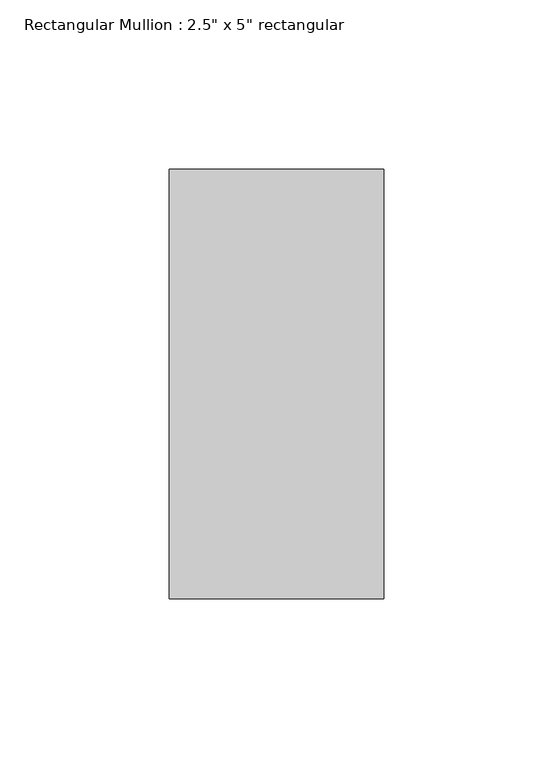
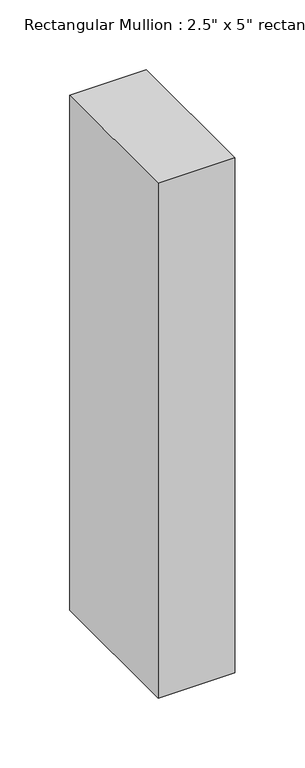
"""IFC4 building model written with IfcOpenShell, lengths in millimetres: member geometry."""

from ifc_helpers import new_model, si_unit, frame, origin, place, context, project, spatial, polyline, outline, extrude, source, transform, mapped, element, save


def member_6a1ca4eb(model_context):
    return source(origin(), model_context, "Body", "SweptSolid", [
        extrude(outline(polyline([(0.0, 0.0), (0.0007718, -63.5), (-451.1382595, -63.5), (-451.1382595, 0.0), (0.0, 0.0)])), frame((0.0, -63.5, 0.0), z_axis=(0.0, 1.0, 0.0), x_axis=(0.0, 0.0, 1.0)), (0.0, 0.0, 1.0), 127.0),
    ])


if __name__ == "__main__":
    model = new_model("IFC4")
    model_context = context("Model", 3, world=origin())
    ifc_project = project(units=[si_unit("LENGTHUNIT", "METRE", prefix="MILLI")], contexts=[model_context])
    site = spatial("IfcSite", under=ifc_project)
    building = spatial("IfcBuilding", under=site)
    placement = place(None, origin())
    member_shape = member_6a1ca4eb(model_context)
    element("IfcMember", 1, ObjectType="Rectangular Mullion : 2.5\" x 5\" rectangular", at=placement, inside=building, context=model_context, shape_type="MappedRepresentation", body=[
        mapped(member_shape, transform((0.0, 0.0, 0.0), x_axis=(1.0, 0.0, 0.0), y_axis=(0.0, 1.0, 0.0), z_axis=(0.0, 0.0, 1.0))),
    ])
    save(model, "model.ifc")
